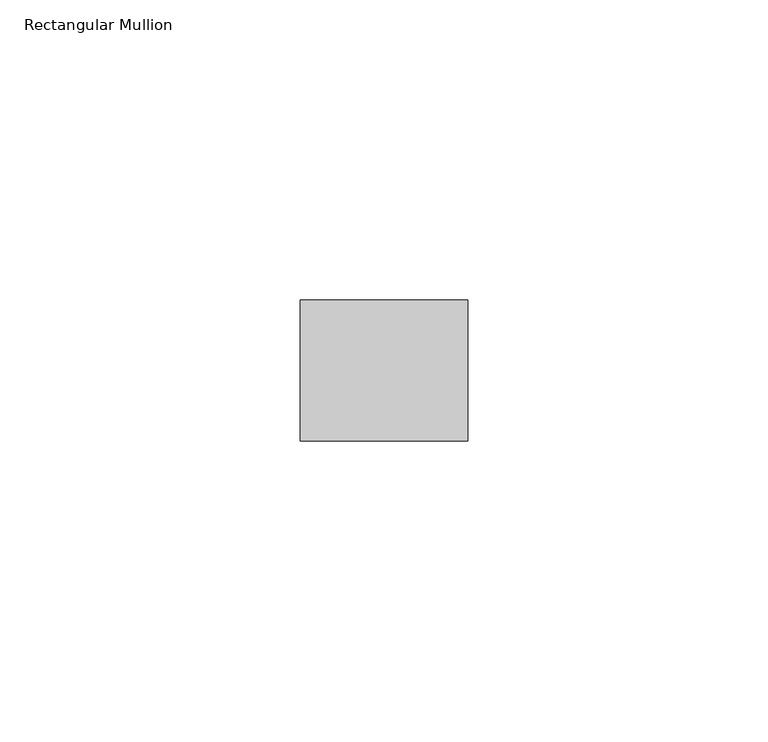
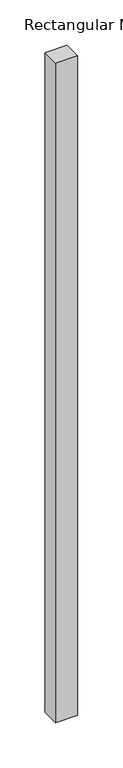
"""IFC4 building model written with IfcOpenShell, lengths in millimetres: member geometry, Rectangular Mullion."""

from ifc_helpers import new_model, si_unit, frame, origin, place, context, project, spatial, polyline, outline, extrude, source, transform, mapped, element, save


def rectangular_mullion_e87fd0a8(model_context):
    return source(origin(), model_context, "Body", "SweptSolid", [
        extrude(outline(polyline([(0.0, -11.7474999), (-27.94, -11.7474999), (-27.94, 11.7474999), (0.0, 11.7474999), (0.0, -11.7474999)])), frame((0.0, 0.0, -889.7663598), z_axis=(0.0, 0.0, 1.0), x_axis=(1.0, 0.0, 0.0)), (0.0, 0.0, 1.0), 889.7663598),
    ])


if __name__ == "__main__":
    model = new_model("IFC4")
    model_context = context("Model", 3, world=origin())
    ifc_project = project(units=[si_unit("LENGTHUNIT", "METRE", prefix="MILLI")], contexts=[model_context])
    site = spatial("IfcSite", under=ifc_project)
    building = spatial("IfcBuilding", under=site)
    placement = place(None, origin())
    rectangular_mullion_shape = rectangular_mullion_e87fd0a8(model_context)
    element("IfcMember", 1, ObjectType="Rectangular Mullion", at=placement, inside=building, context=model_context, shape_type="MappedRepresentation", body=[
        mapped(rectangular_mullion_shape, transform((0.0, 0.0, 0.0), x_axis=(1.0, 0.0, 0.0), y_axis=(0.0, 1.0, 0.0), z_axis=(0.0, 0.0, 1.0))),
    ])
    save(model, "model.ifc")
